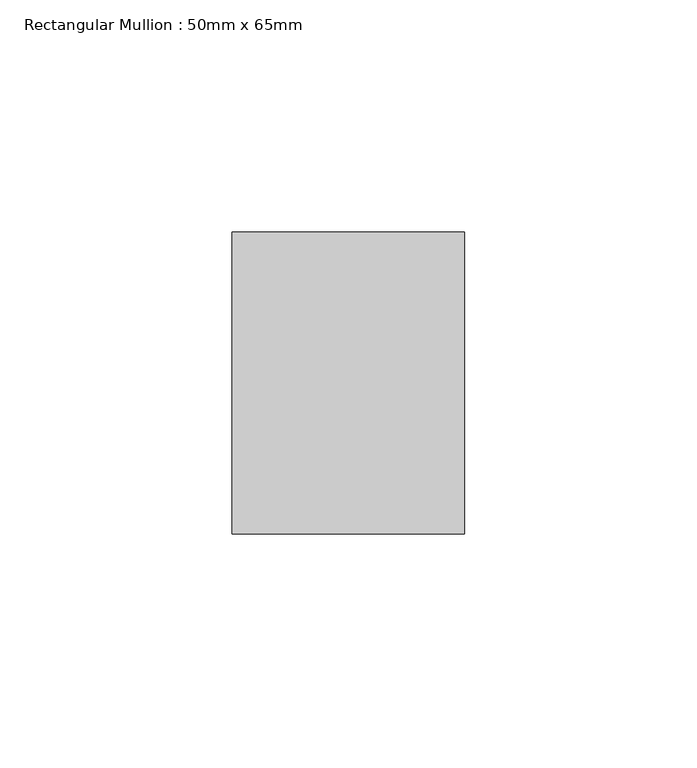
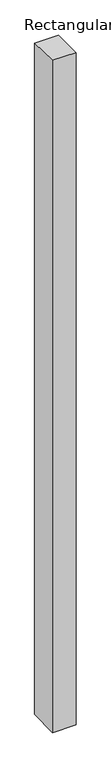
"""IFC4 building model written with IfcOpenShell, lengths in millimetres: member geometry, Rectangular Mullion : 50mm x 65mm."""

from ifc_helpers import new_model, si_unit, origin, place, context, project, spatial, faceted_brep, source, transform, mapped, element, save


def rectangular_mullion_50mm_x_65mm_277945e0(model_context):
    return source(origin(), model_context, "Body", "Brep", [
        faceted_brep([(-25.0, 32.5, -0.5637247), (25.0, 32.5, -0.5637251), (25.0, 32.5, -1499.5034674), (-25.0, 32.5, -1499.5034676), (-25.0, -32.5, 0.5637251), (-25.0, -32.5, -1500.4968236), (25.0, -32.5, 0.5637247), (25.0, -32.5, -1500.4968233)], [[[0, 1, 2, 3]], [[4, 0, 3, 5]], [[6, 4, 5, 7]], [[1, 6, 7, 2]], [[1, 0, 4, 6]], [[2, 7, 5, 3]]]),
    ])


if __name__ == "__main__":
    model = new_model("IFC4")
    model_context = context("Model", 3, world=origin())
    ifc_project = project(units=[si_unit("LENGTHUNIT", "METRE", prefix="MILLI")], contexts=[model_context])
    site = spatial("IfcSite", under=ifc_project)
    building = spatial("IfcBuilding", under=site)
    placement = place(None, origin())
    rectangular_mullion_50mm_x_65mm_shape = rectangular_mullion_50mm_x_65mm_277945e0(model_context)
    element("IfcMember", 1, ObjectType="Rectangular Mullion : 50mm x 65mm", at=placement, inside=building, context=model_context, shape_type="MappedRepresentation", body=[
        mapped(rectangular_mullion_50mm_x_65mm_shape, transform((0.0, 0.0, 0.0), x_axis=(1.0, 0.0, 0.0), y_axis=(0.0, 1.0, 0.0), z_axis=(0.0, 0.0, 1.0))),
    ])
    save(model, "model.ifc")
